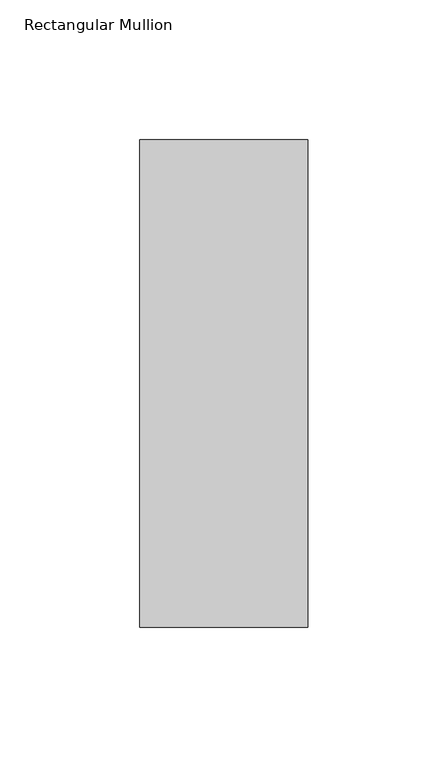
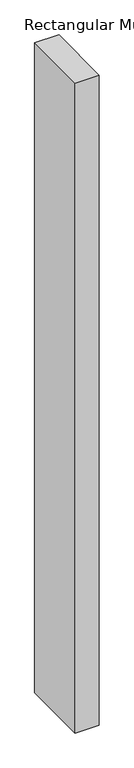
"""IFC4 building model written with IfcOpenShell, lengths in millimetres: member geometry, Rectangular Mullion."""

from ifc_helpers import new_model, si_unit, frame, origin, place, context, project, spatial, polyline, outline, extrude, source, transform, mapped, element, save


def rectangular_mullion_71ce57b1(model_context):
    return source(origin(), model_context, "Body", "SweptSolid", [
        extrude(outline(polyline([(30.0, 122.60625), (30.0, -51.60625), (-30.0, -51.60625), (-30.0, 122.60625), (30.0, 122.60625)])), frame((0.0, 0.0, -1708.8912252), z_axis=(0.0, 0.0, 1.0), x_axis=(1.0, 0.0, 0.0)), (0.0, 0.0, 1.0), 1708.8912252),
    ])


if __name__ == "__main__":
    model = new_model("IFC4")
    model_context = context("Model", 3, world=origin())
    ifc_project = project(units=[si_unit("LENGTHUNIT", "METRE", prefix="MILLI")], contexts=[model_context])
    site = spatial("IfcSite", under=ifc_project)
    building = spatial("IfcBuilding", under=site)
    placement = place(None, origin())
    rectangular_mullion_shape = rectangular_mullion_71ce57b1(model_context)
    element("IfcMember", 1, ObjectType="Rectangular Mullion", at=placement, inside=building, context=model_context, shape_type="MappedRepresentation", body=[
        mapped(rectangular_mullion_shape, transform((0.0, 0.0, 0.0), x_axis=(1.0, 0.0, 0.0), y_axis=(0.0, 1.0, 0.0), z_axis=(0.0, 0.0, 1.0))),
    ])
    save(model, "model.ifc")
